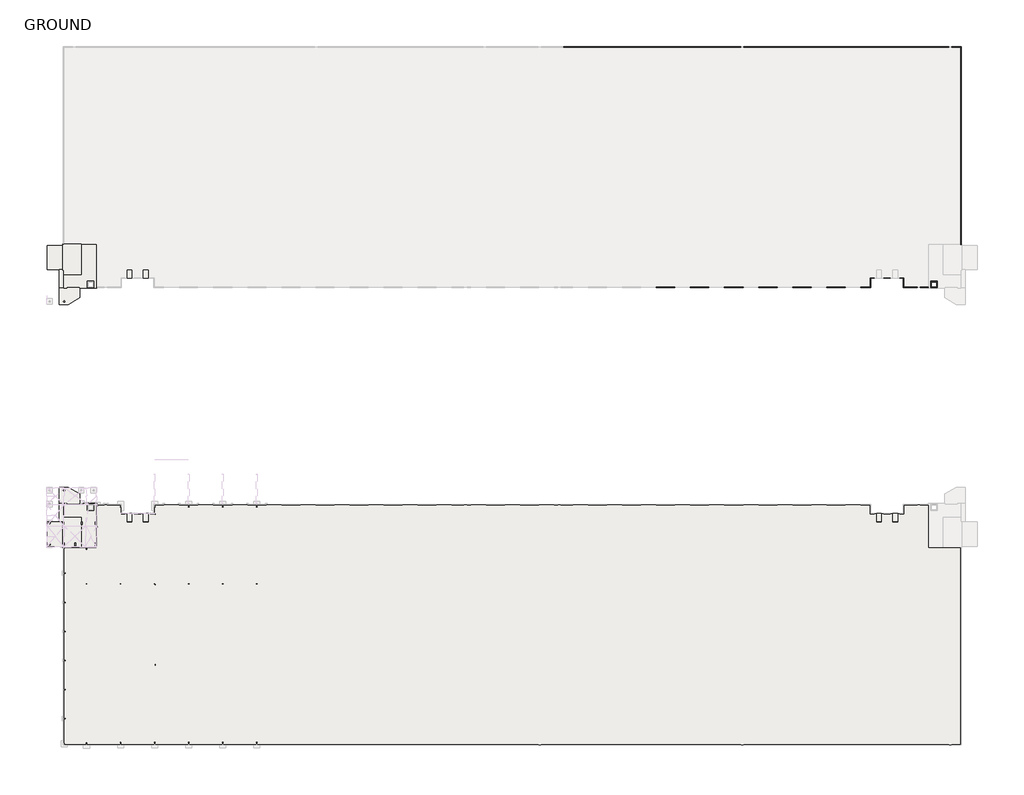
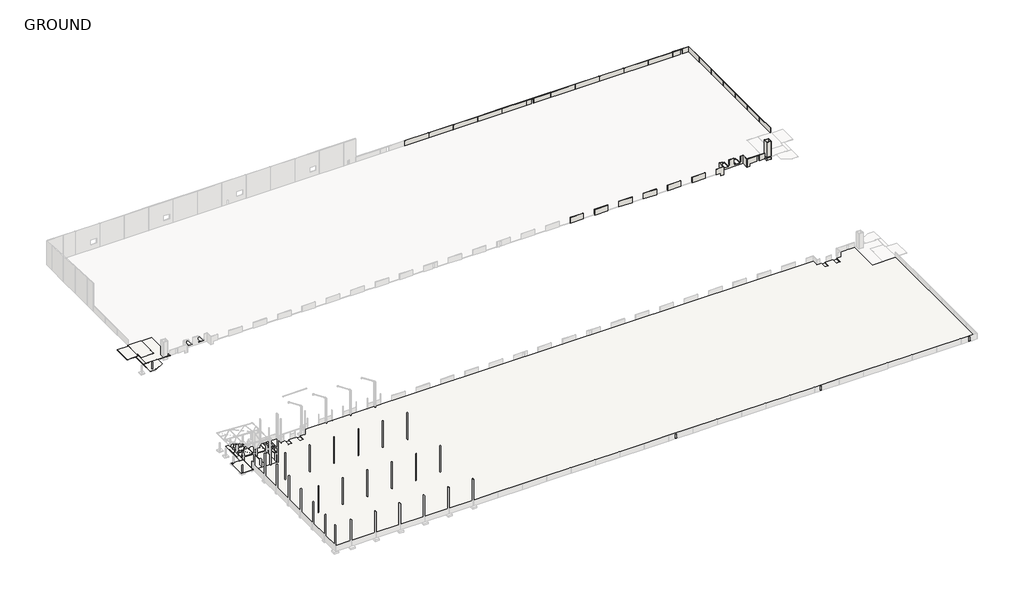
# One storey, part 3 of 56: 44 walls, 17 slabs.
"""IFC4 building model written with IfcOpenShell, lengths in millimetres."""

from ifc_helpers import new_model, si_unit, frame, origin, place, context, project, spatial, polyline, outline, extrude, faceted_brep, element, save

model = new_model("IFC4")

# Units and contexts
model_context = context("Model", 3, world=origin())
ifc_project = project(units=[si_unit("LENGTHUNIT", "METRE", prefix="MILLI")], contexts=[model_context])

# Site, building, storey
site = spatial("IfcSite", under=ifc_project)
building = spatial("IfcBuilding", under=site)
storey = spatial("IfcBuildingStorey", under=building, Name="GROUND", Elevation=47100.0)

# Slabs
placement = place(None, origin())
element("IfcSlab", 1, ObjectType="NRP_1 - SOG - 200", at=placement, inside=storey, context=model_context, shape_type="SweptSolid", body=[
    extrude(outline(polyline([(-303896.5907618, 169040.0), (-303896.5907618, 166020.0), (-306206.5907618, 166020.0), (-306206.5907618, 169040.0), (-303896.5907618, 169040.0)])), frame((0.0, 0.0, 46300.0), z_axis=(0.0, 0.0, 1.0), x_axis=(1.0, 0.0, 0.0)), (0.0, 0.0, 1.0), 200.0),
])
element("IfcSlab", 2, ObjectType="NRP_1 - SOG - 200", at=placement, inside=storey, context=model_context, shape_type="SweptSolid", body=[
    extrude(outline(polyline([(-298546.5907618, 169040.0), (-298546.5907618, 166020.0), (-300856.5907618, 166020.0), (-300856.5907618, 169040.0), (-298546.5907618, 169040.0)])), frame((0.0, 0.0, 46300.0), z_axis=(0.0, 0.0, 1.0), x_axis=(1.0, 0.0, 0.0)), (0.0, 0.0, 1.0), 200.0),
])
element("IfcSlab", 3, ObjectType="NRP_1 - SOG - 200", at=placement, inside=storey, context=model_context, shape_type="SweptSolid", body=[
    extrude(outline(polyline([(-326816.5907618, 11269.60101), (-326816.5907618, 76529.60101), (-315961.5907618, 76529.60101), (-315961.5907618, 90869.60101), (-307876.5907618, 90869.60101), (-307876.5907618, 87869.60101), (-306006.5907618, 87869.60101), (-306006.5907618, 85049.60101), (-304096.5907618, 85049.60101), (-304096.5907618, 87869.60101), (-300656.5907618, 87869.60101), (-300656.5907618, 85049.60101), (-298746.5907618, 85049.60101), (-298746.5907618, 87869.60101), (-296876.5907618, 87869.60101), (-296876.5907618, 90869.60101), (-59276.5907618, 90869.60101), (-59276.5907618, 87869.60101), (-57406.5907618, 87869.60101), (-57406.5907618, 85049.60101), (-55496.5907618, 85049.60101), (-55496.5907618, 87869.60101), (-52056.5907618, 87869.60101), (-52056.5907618, 85049.60101), (-50146.5907618, 85049.60101), (-50146.5907618, 87869.60101), (-48276.5907618, 87869.60101), (-48276.5907618, 90869.60101), (-40191.5907618, 90869.60101), (-40191.5907618, 76529.60101), (-29336.5907618, 76529.60101), (-29336.5907618, 11269.60101), (-326816.5907618, 11269.60101)])), frame((0.0, 0.0, 46900.0), z_axis=(0.0, 0.0, 1.0), x_axis=(1.0, 0.0, 0.0)), (0.0, 0.0, 1.0), 200.0),
])
element("IfcSlab", 4, ObjectType="NRP_1 - SOG - 200", at=placement, inside=storey, context=model_context, shape_type="SweptSolid", body=[
    extrude(outline(polyline([(-303896.5907618, 84849.60101), (-306206.5907618, 84849.60101), (-306206.5907618, 88019.60101), (-303896.5907618, 88019.60101), (-303896.5907618, 84849.60101)])), frame((0.0, 0.0, 46300.0), z_axis=(0.0, 0.0, 1.0), x_axis=(1.0, 0.0, 0.0)), (0.0, 0.0, 1.0), 200.0),
])
element("IfcSlab", 5, ObjectType="NRP_1 - SOG - 200", at=placement, inside=storey, context=model_context, shape_type="SweptSolid", body=[
    extrude(outline(polyline([(-298546.5907618, 84849.60101), (-300856.5907618, 84849.60101), (-300856.5907618, 88019.60101), (-298546.5907618, 88019.60101), (-298546.5907618, 84849.60101)])), frame((0.0, 0.0, 46300.0), z_axis=(0.0, 0.0, 1.0), x_axis=(1.0, 0.0, 0.0)), (0.0, 0.0, 1.0), 200.0),
])
element("IfcSlab", 6, ObjectType="NRP_1 - SOG - 200", at=placement, inside=storey, context=model_context, shape_type="SweptSolid", body=[
    extrude(outline(polyline([(-55296.5907618, 84849.60101), (-57606.5907618, 84849.60101), (-57606.5907618, 88019.60101), (-55296.5907618, 88019.60101), (-55296.5907618, 84849.60101)])), frame((0.0, 0.0, 46300.0), z_axis=(0.0, 0.0, 1.0), x_axis=(1.0, 0.0, 0.0)), (0.0, 0.0, 1.0), 200.0),
])
element("IfcSlab", 7, ObjectType="NRP_1 - SOG - 200", at=placement, inside=storey, context=model_context, shape_type="SweptSolid", body=[
    extrude(outline(polyline([(-49946.5907618, 84849.60101), (-52256.5907618, 84849.60101), (-52256.5907618, 88019.60101), (-49946.5907618, 88019.60101), (-49946.5907618, 84849.60101)])), frame((0.0, 0.0, 46300.0), z_axis=(0.0, 0.0, 1.0), x_axis=(1.0, 0.0, 0.0)), (0.0, 0.0, 1.0), 200.0),
])
element("IfcSlab", 8, ObjectType="NRP_2 - Raft - 100", at=placement, inside=storey, context=model_context, shape_type="Brep", body=[
    faceted_brep([(-327126.5907618, 177360.0, 47000.0), (-326826.5907618, 177360.0, 47000.0), (-321009.5907618, 177360.0, 47000.0), (-321009.5907618, 177060.0, 47000.0), (-321009.5907618, 169720.0, 47000.0), (-321066.5907618, 169720.0, 47000.0), (-321066.5907618, 168820.0, 47000.0), (-321009.5907618, 168820.0, 47000.0), (-321009.5907618, 167625.0, 47000.0), (-321009.5907618, 167325.0, 47000.0), (-326578.5907618, 167325.0, 47000.0), (-326878.5907618, 167325.0, 47000.0), (-326878.5907618, 168820.0, 47000.0), (-327126.5907618, 168820.0, 47000.0), (-327126.5907618, 169720.0, 47000.0), (-327126.5907618, 170010.0, 47000.0), (-327126.5907618, 177360.0, 47100.0), (-327126.5907618, 169720.0, 47100.0), (-327126.5907618, 168820.0, 47100.0), (-326878.5907618, 168820.0, 47100.0), (-326878.5907618, 167325.0, 47100.0), (-321009.5907618, 167325.0, 47100.0), (-321009.5907618, 168820.0, 47100.0), (-321066.5907618, 168820.0, 47100.0), (-321066.5907618, 169720.0, 47100.0), (-321009.5907618, 169720.0, 47100.0), (-321009.5907618, 177360.0, 47100.0), (-321009.5907618, 169720.0, 47050.0), (-321009.5907618, 168820.0, 47050.0)], [[[0, 1, 2, 3, 4, 5, 6, 7, 8, 9, 10, 11, 12, 13, 14, 15]], [[16, 17, 18, 19, 20, 21, 22, 23, 24, 25, 26]], [[2, 1, 0, 16, 26]], [[12, 11, 20, 19]], [[13, 12, 19, 18]], [[0, 15, 14, 13, 18, 17, 16]], [[4, 3, 2, 26, 25, 27]], [[11, 10, 9, 21, 20]], [[5, 4, 27, 25, 24]], [[6, 5, 24, 23]], [[7, 6, 23, 22, 28]], [[9, 8, 7, 28, 22, 21]]]),
])
element("IfcSlab", 9, ObjectType="NRP_2 - Raft - 100", at=placement, inside=storey, context=model_context, shape_type="Brep", body=[
    faceted_brep([(-321516.5907618, 159546.2489854, 46900.0), (-321816.5907618, 159378.1988707, 46900.0), (-325401.5907618, 157370.0, 46900.0), (-326015.4463257, 157370.0, 46900.0), (-328316.5907618, 157370.0, 46900.0), (-328316.5907618, 157670.0, 46900.0), (-328316.5907618, 162820.0, 46900.0), (-328016.5907618, 162820.0, 46900.0), (-325876.5907618, 162820.0, 46900.0), (-325876.5907618, 163120.0, 46900.0), (-321816.5907618, 163120.0, 46900.0), (-321516.5907618, 163120.0, 46900.0), (-321516.5907618, 159546.2489854, 47000.0), (-321516.5907618, 163120.0, 47000.0), (-325876.5907618, 163120.0, 47000.0), (-325876.5907618, 162820.0, 47000.0), (-328316.5907618, 162820.0, 47000.0), (-328316.5907618, 157370.0, 47000.0), (-325401.5907618, 157370.0, 47000.0), (-325876.5907618, 162820.0, 46950.0), (-325876.5907618, 163120.0, 46950.0), (-321516.5907618, 163120.0, 46950.0)], [[[0, 1, 2, 3, 4, 5, 6, 7, 8, 9, 10, 11]], [[12, 13, 14, 15, 16, 17, 18]], [[2, 1, 0, 12, 18]], [[4, 3, 2, 18, 17]], [[6, 5, 4, 17, 16]], [[8, 7, 6, 16, 15, 19]], [[9, 8, 19, 15, 14, 20]], [[11, 10, 9, 20, 14, 13, 21]], [[0, 11, 21, 13, 12]]]),
])
element("IfcSlab", 10, ObjectType="NRP_2 - Raft - 100", at=placement, inside=storey, context=model_context, shape_type="Brep", body=[
    faceted_brep([(-332355.5907618, 176939.0, 46900.0), (-332055.5907618, 176939.0, 46900.0), (-327126.5907618, 176939.0, 46900.0), (-327126.5907618, 176639.0, 46900.0), (-327126.5907618, 169220.0, 46900.0), (-327126.5907618, 168920.0, 46900.0), (-332355.5907618, 168920.0, 46900.0), (-332355.5907618, 169220.0, 46900.0), (-332355.5907618, 176939.0, 47000.0), (-332355.5907618, 168920.0, 47000.0), (-327126.5907618, 168920.0, 47000.0), (-327126.5907618, 169720.0, 47000.0), (-327126.5907618, 170010.0, 47000.0), (-327126.5907618, 176939.0, 47000.0)], [[[0, 1, 2, 3, 4, 5, 6, 7]], [[8, 9, 10, 11, 12, 13]], [[2, 1, 0, 8, 13]], [[5, 4, 3, 2, 13, 12, 11, 10]], [[6, 5, 10, 9]], [[0, 7, 6, 9, 8]]]),
])
element("IfcSlab", 11, ObjectType="NRP_2 - Raft - 100", at=placement, inside=storey, context=model_context, shape_type="Brep", body=[
    faceted_brep([(-326878.5907618, 168820.0, 46900.0), (-326878.5907618, 162820.0, 46900.0), (-327178.5907618, 162820.0, 46900.0), (-328316.5907618, 162820.0, 46900.0), (-328316.5907618, 163120.0, 46900.0), (-328316.5907618, 168920.0, 46900.0), (-328016.5907618, 168920.0, 46900.0), (-327126.5907618, 168920.0, 46900.0), (-327126.5907618, 168820.0, 46900.0), (-326878.5907618, 168820.0, 47000.0), (-327126.5907618, 168820.0, 47000.0), (-327126.5907618, 168920.0, 47000.0), (-328316.5907618, 168920.0, 47000.0), (-328316.5907618, 162820.0, 47000.0), (-326878.5907618, 162820.0, 47000.0), (-326878.5907618, 167325.0, 47000.0)], [[[0, 1, 2, 3, 4, 5, 6, 7, 8]], [[9, 10, 11, 12, 13, 14, 15]], [[3, 2, 1, 14, 13]], [[5, 4, 3, 13, 12]], [[0, 8, 10, 9]], [[1, 0, 9, 15, 14]], [[7, 6, 5, 12, 11]], [[8, 7, 11, 10]]]),
])
element("IfcSlab", 12, ObjectType="NRP_2 - Raft - 100", at=placement, inside=storey, context=model_context, shape_type="Brep", body=[
    faceted_brep([(-321009.5907618, 177360.0, 46950.0), (-315974.2907624, 177360.0, 46950.0), (-315961.5907618, 177360.0, 46950.0), (-315961.5907618, 177347.2999994, 46950.0), (-315961.5907618, 163120.0, 46950.0), (-315961.5907618, 162820.0, 46950.0), (-316856.5907618, 162820.0, 46950.0), (-319006.5907618, 162820.0, 46950.0), (-320316.5907618, 162820.0, 46950.0), (-320616.5907618, 162820.0, 46950.0), (-321516.5907618, 162820.0, 46950.0), (-321516.5907618, 163120.0, 46950.0), (-325876.5907618, 163120.0, 46950.0), (-325876.5907618, 162820.0, 46950.0), (-326776.5908029, 162820.0, 46950.0), (-326878.5907618, 162820.0, 46950.0), (-326878.5907618, 163270.0, 46950.0), (-326878.5907618, 167325.0, 46950.0), (-326578.5907618, 167325.0, 46950.0), (-321309.5907618, 167325.0, 46950.0), (-321009.5907618, 167325.0, 46950.0), (-321009.5907618, 167625.0, 46950.0), (-321009.5907618, 168820.0, 46950.0), (-321009.5907618, 169720.0, 46950.0), (-321009.5907618, 172779.5, 46950.0), (-321009.5907618, 173079.5, 46950.0), (-321009.5907618, 177060.0, 46950.0), (-317056.5907618, 164820.0, 46950.0), (-318806.5907618, 164820.0, 46950.0), (-318806.5907618, 163170.0, 46950.0), (-317056.5907618, 163170.0, 46950.0), (-321009.5907618, 177360.0, 47050.0), (-321009.5907618, 169720.0, 47050.0), (-321009.5907618, 168820.0, 47050.0), (-321009.5907618, 167325.0, 47050.0), (-326878.5907618, 167325.0, 47050.0), (-326878.5907618, 162820.0, 47050.0), (-326776.5908029, 162820.0, 47050.0), (-325876.5907618, 162820.0, 47050.0), (-325876.5907618, 163120.0, 47050.0), (-321516.5907618, 163120.0, 47050.0), (-321516.5907618, 162820.0, 47050.0), (-320616.5907618, 162820.0, 47050.0), (-315961.5907618, 162820.0, 47050.0), (-315961.5907618, 177360.0, 47050.0), (-317056.5907618, 164820.0, 47050.0), (-317056.5907618, 163170.0, 47050.0), (-318806.5907618, 163170.0, 47050.0), (-318806.5907618, 164820.0, 47050.0), (-321009.5907618, 177360.0, 47000.0), (-326878.5907618, 167325.0, 47000.0), (-321009.5907618, 167325.0, 47000.0)], [[[0, 1, 2, 3, 4, 5, 6, 7, 8, 9, 10, 11, 12, 13, 14, 15, 16, 17, 18, 19, 20, 21, 22, 23, 24, 25, 26], [27, 28, 29, 30]], [[31, 32, 33, 34, 35, 36, 37, 38, 39, 40, 41, 42, 43, 44], [45, 46, 47, 48]], [[2, 1, 0, 49, 31, 44]], [[5, 4, 3, 2, 44, 43]], [[10, 9, 8, 7, 6, 5, 43, 42, 41]], [[11, 10, 41, 40]], [[12, 11, 40, 39]], [[13, 12, 39, 38]], [[15, 14, 13, 38, 37, 36]], [[17, 16, 15, 36, 35, 50]], [[28, 27, 45, 48]], [[29, 28, 48, 47]], [[30, 29, 47, 46]], [[27, 30, 46, 45]], [[20, 19, 18, 17, 50, 35, 34, 51]], [[0, 26, 25, 24, 23, 22, 21, 20, 51, 34, 33, 32, 31, 49]]]),
])
element("IfcSlab", 13, ObjectType="NRP_2 - Raft - 100", at=placement, inside=storey, context=model_context, shape_type="Brep", body=[
    faceted_brep([(-327126.5907618, 76679.60101, 47000.0), (-327126.5907618, 84029.60101, 47000.0), (-327126.5907618, 84319.60101, 47000.0), (-327126.5907618, 85219.60101, 47000.0), (-326878.5907618, 85219.60101, 47000.0), (-326878.5907618, 86714.60101, 47000.0), (-326578.5907618, 86714.60101, 47000.0), (-321009.5907618, 86714.60101, 47000.0), (-321009.5907618, 86414.60101, 47000.0), (-321009.5907618, 85219.60101, 47000.0), (-321066.5907618, 85219.60101, 47000.0), (-321066.5907618, 84319.60101, 47000.0), (-321009.5907618, 84319.60101, 47000.0), (-321009.5907618, 76979.60101, 47000.0), (-321009.5907618, 76679.60101, 47000.0), (-326826.5907618, 76679.60101, 47000.0), (-327126.5907618, 76679.60101, 47100.0), (-321009.5907618, 76679.60101, 47100.0), (-321009.5907618, 84319.60101, 47100.0), (-321066.5907618, 84319.60101, 47100.0), (-321066.5907618, 85219.60101, 47100.0), (-321009.5907618, 85219.60101, 47100.0), (-321009.5907618, 86714.60101, 47100.0), (-326878.5907618, 86714.60101, 47100.0), (-326878.5907618, 85219.60101, 47100.0), (-327126.5907618, 85219.60101, 47100.0), (-327126.5907618, 84319.60101, 47100.0), (-321066.5907618, 84319.60101, 47050.0), (-321066.5907618, 85219.60101, 47050.0)], [[[0, 1, 2, 3, 4, 5, 6, 7, 8, 9, 10, 11, 12, 13, 14, 15]], [[16, 17, 18, 19, 20, 21, 22, 23, 24, 25, 26]], [[0, 15, 14, 17, 16]], [[5, 4, 24, 23]], [[4, 3, 25, 24]], [[3, 2, 1, 0, 16, 26, 25]], [[14, 13, 12, 18, 17]], [[7, 6, 5, 23, 22]], [[12, 11, 27, 19, 18]], [[11, 10, 28, 20, 19, 27]], [[10, 9, 21, 20, 28]], [[9, 8, 7, 22, 21]]]),
])
element("IfcSlab", 14, ObjectType="NRP_2 - Raft - 100", at=placement, inside=storey, context=model_context, shape_type="Brep", body=[
    faceted_brep([(-321516.5907618, 94493.3520246, 46900.0), (-321516.5907618, 90919.60101, 46900.0), (-321816.5907618, 90919.60101, 46900.0), (-325876.5907618, 90919.60101, 46900.0), (-325876.5907618, 91219.60101, 46900.0), (-328016.5907618, 91219.60101, 46900.0), (-328316.5907618, 91219.60101, 46900.0), (-328316.5907618, 96369.60101, 46900.0), (-328316.5907618, 96669.60101, 46900.0), (-326015.4463257, 96669.60101, 46900.0), (-325401.5907618, 96669.60101, 46900.0), (-321816.5907618, 94661.4021393, 46900.0), (-321516.5907618, 94493.3520246, 47000.0), (-325401.5907618, 96669.60101, 47000.0), (-328316.5907618, 96669.60101, 47000.0), (-328316.5907618, 91219.60101, 47000.0), (-325876.5907618, 91219.60101, 47000.0), (-325876.5907618, 90919.60101, 47000.0), (-321516.5907618, 90919.60101, 47000.0), (-325876.5907618, 91219.60101, 46950.0), (-325876.5907618, 90919.60101, 46950.0), (-321516.5907618, 90919.60101, 46950.0)], [[[0, 1, 2, 3, 4, 5, 6, 7, 8, 9, 10, 11]], [[12, 13, 14, 15, 16, 17, 18]], [[0, 11, 10, 13, 12]], [[10, 9, 8, 14, 13]], [[8, 7, 6, 15, 14]], [[6, 5, 4, 19, 16, 15]], [[4, 3, 20, 17, 16, 19]], [[3, 2, 1, 21, 18, 17, 20]], [[1, 0, 12, 18, 21]]]),
])
element("IfcSlab", 15, ObjectType="NRP_2 - Raft - 100", at=placement, inside=storey, context=model_context, shape_type="Brep", body=[
    faceted_brep([(-332355.5907618, 77100.60101, 46900.0), (-332355.5907618, 84819.60101, 46900.0), (-332355.5907618, 85119.60101, 46900.0), (-327126.5907618, 85119.60101, 46900.0), (-327126.5907618, 84819.60101, 46900.0), (-327126.5907618, 77400.60101, 46900.0), (-327126.5907618, 77100.60101, 46900.0), (-332055.5907618, 77100.60101, 46900.0), (-332355.5907618, 77100.60101, 47000.0), (-327126.5907618, 77100.60101, 47000.0), (-327126.5907618, 84029.60101, 47000.0), (-327126.5907618, 84319.60101, 47000.0), (-327126.5907618, 85119.60101, 47000.0), (-332355.5907618, 85119.60101, 47000.0)], [[[0, 1, 2, 3, 4, 5, 6, 7]], [[8, 9, 10, 11, 12, 13]], [[0, 7, 6, 9, 8]], [[6, 5, 4, 3, 12, 11, 10, 9]], [[3, 2, 13, 12]], [[2, 1, 0, 8, 13]]]),
])
element("IfcSlab", 16, ObjectType="NRP_2 - Raft - 100", at=placement, inside=storey, context=model_context, shape_type="Brep", body=[
    faceted_brep([(-326878.5907618, 85219.60101, 46900.0), (-327126.5907618, 85219.60101, 46900.0), (-327126.5907618, 85119.60101, 46900.0), (-328016.5907618, 85119.60101, 46900.0), (-328316.5907618, 85119.60101, 46900.0), (-328316.5907618, 90919.60101, 46900.0), (-328316.5907618, 91219.60101, 46900.0), (-328016.5907618, 91219.60101, 46900.0), (-327178.5907618, 91219.60101, 46900.0), (-326878.5907618, 91219.60101, 46900.0), (-326878.5907618, 85219.60101, 47000.0), (-326878.5907618, 86714.60101, 47000.0), (-326878.5907618, 91219.60101, 47000.0), (-328316.5907618, 91219.60101, 47000.0), (-328316.5907618, 85119.60101, 47000.0), (-327126.5907618, 85119.60101, 47000.0), (-327126.5907618, 85219.60101, 47000.0)], [[[0, 1, 2, 3, 4, 5, 6, 7, 8, 9]], [[10, 11, 12, 13, 14, 15, 16]], [[9, 8, 7, 6, 13, 12]], [[6, 5, 4, 14, 13]], [[1, 0, 10, 16]], [[0, 9, 12, 11, 10]], [[4, 3, 2, 15, 14]], [[2, 1, 16, 15]]]),
])
element("IfcSlab", 17, ObjectType="NRP_2 - Raft - 100", at=placement, inside=storey, context=model_context, shape_type="Brep", body=[
    faceted_brep([(-321009.5907618, 76679.60101, 46950.0), (-321009.5907618, 76979.60101, 46950.0), (-321009.5907618, 80960.10101, 46950.0), (-321009.5907618, 81260.10101, 46950.0), (-321009.5907618, 84319.60101, 46950.0), (-321066.5907618, 84319.60101, 46950.0), (-321066.5907618, 85219.60101, 46950.0), (-321009.5907618, 85219.60101, 46950.0), (-321009.5907618, 86414.60101, 46950.0), (-321009.5907618, 86714.60101, 46950.0), (-321309.5907618, 86714.60101, 46950.0), (-326578.5907618, 86714.60101, 46950.0), (-326878.5907618, 86714.60101, 46950.0), (-326878.5907618, 90769.60101, 46950.0), (-326878.5907618, 91219.60101, 46950.0), (-326776.5908029, 91219.60101, 46950.0), (-325876.5907618, 91219.60101, 46950.0), (-325876.5907618, 90919.60101, 46950.0), (-321516.5907618, 90919.60101, 46950.0), (-321516.5907618, 91219.60101, 46950.0), (-320616.5907618, 91219.60101, 46950.0), (-320316.5907618, 91219.60101, 46950.0), (-319006.5907618, 91219.60101, 46950.0), (-316856.5907618, 91219.60101, 46950.0), (-315961.5907618, 91219.60101, 46950.0), (-315961.5907618, 90919.60101, 46950.0), (-315961.5907618, 76692.3010106, 46950.0), (-315961.5907618, 76679.60101, 46950.0), (-315974.2907624, 76679.60101, 46950.0), (-317056.5907618, 89219.60101, 46950.0), (-317056.5907618, 90869.60101, 46950.0), (-318806.5907618, 90869.60101, 46950.0), (-318806.5907618, 89219.60101, 46950.0), (-321009.5907618, 76679.60101, 47050.0), (-315961.5907618, 76679.60101, 47050.0), (-315961.5907618, 91219.60101, 47050.0), (-320616.5907618, 91219.60101, 47050.0), (-321516.5907618, 91219.60101, 47050.0), (-321516.5907618, 90919.60101, 47050.0), (-325876.5907618, 90919.60101, 47050.0), (-325876.5907618, 91219.60101, 47050.0), (-326776.5908029, 91219.60101, 47050.0), (-326878.5907618, 91219.60101, 47050.0), (-326878.5907618, 86714.60101, 47050.0), (-321009.5907618, 86714.60101, 47050.0), (-321009.5907618, 85219.60101, 47050.0), (-321066.5907618, 85219.60101, 47050.0), (-321066.5907618, 84319.60101, 47050.0), (-321009.5907618, 84319.60101, 47050.0), (-317056.5907618, 89219.60101, 47050.0), (-318806.5907618, 89219.60101, 47050.0), (-318806.5907618, 90869.60101, 47050.0), (-317056.5907618, 90869.60101, 47050.0), (-321009.5907618, 76679.60101, 47000.0), (-326878.5907618, 86714.60101, 47000.0), (-321009.5907618, 86714.60101, 47000.0), (-321009.5907618, 85219.60101, 47000.0), (-321009.5907618, 84319.60101, 47000.0), (-321066.5907618, 84319.60101, 47000.0), (-321066.5907618, 85219.60101, 47000.0)], [[[0, 1, 2, 3, 4, 5, 6, 7, 8, 9, 10, 11, 12, 13, 14, 15, 16, 17, 18, 19, 20, 21, 22, 23, 24, 25, 26, 27, 28], [29, 30, 31, 32]], [[33, 34, 35, 36, 37, 38, 39, 40, 41, 42, 43, 44, 45, 46, 47, 48], [49, 50, 51, 52]], [[0, 28, 27, 34, 33, 53]], [[27, 26, 25, 24, 35, 34]], [[24, 23, 22, 21, 20, 19, 37, 36, 35]], [[19, 18, 38, 37]], [[18, 17, 39, 38]], [[17, 16, 40, 39]], [[16, 15, 14, 42, 41, 40]], [[14, 13, 12, 54, 43, 42]], [[29, 32, 50, 49]], [[32, 31, 51, 50]], [[31, 30, 52, 51]], [[30, 29, 49, 52]], [[12, 11, 10, 9, 55, 44, 43, 54]], [[9, 8, 7, 56, 45, 44, 55]], [[4, 3, 2, 1, 0, 53, 33, 48, 57]], [[5, 4, 57, 48, 47, 58]], [[6, 5, 58, 47, 46, 59]], [[7, 6, 59, 46, 45, 56]]]),
])

# Walls
element("IfcWall", 18, at=placement, inside=storey, context=model_context, shape_type="Brep", body=[
    faceted_brep([(-49996.5907618, 166020.0, 46500.0), (-49996.5907618, 168990.0, 46500.0), (-49996.5907618, 168990.0, 46900.0), (-49996.5907618, 166170.0, 46900.0), (-49996.5907618, 166020.0, 46900.0), (-50146.5907618, 166020.0, 46500.0), (-50146.5907618, 166020.0, 46900.0), (-50146.5907618, 166170.0, 46900.0), (-50146.5907618, 168840.0, 46900.0), (-50146.5907618, 168990.0, 46900.0), (-50146.5907618, 168990.0, 46500.0), (-50146.5907618, 168840.0, 46500.0)], [[[0, 1, 2, 3, 4]], [[5, 6, 7, 8, 9, 10, 11]], [[0, 4, 6, 5]], [[2, 1, 10, 9]], [[4, 3, 7, 6]], [[3, 2, 9, 8, 7]], [[1, 0, 5, 11, 10]]]),
])
element("IfcWall", 19, at=placement, inside=storey, context=model_context, shape_type="Brep", body=[
    faceted_brep([(-50146.5907618, 168990.0, 46500.0), (-52206.5907618, 168990.0, 46500.0), (-52206.5907618, 168990.0, 46900.0), (-50146.5907618, 168990.0, 46900.0), (-50146.5907618, 168840.0, 46500.0), (-50146.5907618, 168840.0, 46900.0), (-52056.5907618, 168840.0, 46900.0), (-52206.5907618, 168840.0, 46900.0), (-52206.5907618, 168840.0, 46500.0), (-52056.5907618, 168840.0, 46500.0)], [[[0, 1, 2, 3]], [[4, 5, 6, 7, 8, 9]], [[0, 3, 5, 4]], [[2, 1, 8, 7]], [[3, 2, 7, 6, 5]], [[1, 0, 4, 9, 8]]]),
])
element("IfcWall", 20, at=placement, inside=storey, context=model_context, shape_type="SweptSolid", body=[
    extrude(outline(polyline([(168840.0, 46500.0), (166020.0, 46500.0), (166020.0, 46900.0), (166170.0, 46900.0), (168840.0, 46900.0), (168840.0, 46500.0)])), frame((-52206.5907618, 0.0, 0.0), z_axis=(1.0, 0.0, 0.0), x_axis=(0.0, 1.0, 0.0)), (0.0, 0.0, 1.0), 150.0),
])
element("IfcWall", 21, at=placement, inside=storey, context=model_context, shape_type="Brep", body=[
    faceted_brep([(-55346.5907618, 166020.0, 46500.0), (-55346.5907618, 168990.0, 46500.0), (-55346.5907618, 168990.0, 46900.0), (-55346.5907618, 166170.0, 46900.0), (-55346.5907618, 166020.0, 46900.0), (-55496.5907618, 166020.0, 46500.0), (-55496.5907618, 166020.0, 46900.0), (-55496.5907618, 166170.0, 46900.0), (-55496.5907618, 168840.0, 46900.0), (-55496.5907618, 168990.0, 46900.0), (-55496.5907618, 168990.0, 46500.0), (-55496.5907618, 168840.0, 46500.0)], [[[0, 1, 2, 3, 4]], [[5, 6, 7, 8, 9, 10, 11]], [[0, 4, 6, 5]], [[2, 1, 10, 9]], [[4, 3, 7, 6]], [[3, 2, 9, 8, 7]], [[1, 0, 5, 11, 10]]]),
])
element("IfcWall", 22, at=placement, inside=storey, context=model_context, shape_type="Brep", body=[
    faceted_brep([(-55496.5907618, 168990.0, 46500.0), (-57556.5907618, 168990.0, 46500.0), (-57556.5907618, 168990.0, 46900.0), (-55496.5907618, 168990.0, 46900.0), (-55496.5907618, 168840.0, 46500.0), (-55496.5907618, 168840.0, 46900.0), (-57406.5907618, 168840.0, 46900.0), (-57556.5907618, 168840.0, 46900.0), (-57556.5907618, 168840.0, 46500.0), (-57406.5907618, 168840.0, 46500.0)], [[[0, 1, 2, 3]], [[4, 5, 6, 7, 8, 9]], [[0, 3, 5, 4]], [[2, 1, 8, 7]], [[3, 2, 7, 6, 5]], [[1, 0, 4, 9, 8]]]),
])
element("IfcWall", 23, at=placement, inside=storey, context=model_context, shape_type="SweptSolid", body=[
    extrude(outline(polyline([(168840.0, 46500.0), (166020.0, 46500.0), (166020.0, 46900.0), (166170.0, 46900.0), (168840.0, 46900.0), (168840.0, 46500.0)])), frame((-57556.5907618, 0.0, 0.0), z_axis=(1.0, 0.0, 0.0), x_axis=(0.0, 1.0, 0.0)), (0.0, 0.0, 1.0), 150.0),
])
element("IfcWall", 24, at=placement, inside=storey, context=model_context, shape_type="Brep", body=[
    faceted_brep([(-39095.9863178, 162970.0, 45600.0), (-39095.9863178, 163170.0, 45600.0), (-39095.9863178, 164820.0, 45600.0), (-39095.9863178, 165020.0, 45600.0), (-39095.9863178, 165020.0, 47100.0), (-39095.9863178, 164820.0, 47100.0), (-39095.9863178, 163170.0, 47100.0), (-39095.9863178, 162970.0, 47100.0), (-39295.9863178, 162970.0, 45600.0), (-39295.9863178, 162970.0, 47100.0), (-39295.9863178, 165020.0, 47100.0), (-39295.9863178, 165020.0, 45600.0)], [[[0, 1, 2, 3, 4, 5, 6, 7]], [[8, 9, 10, 11]], [[7, 6, 5, 4, 10, 9]], [[4, 3, 11, 10]], [[0, 7, 9, 8]], [[3, 2, 1, 0, 8, 11]]]),
])
element("IfcWall", 25, at=placement, inside=storey, context=model_context, shape_type="Brep", body=[
    faceted_brep([(-39095.9863178, 164820.0, 45600.0), (-37345.9863178, 164820.0, 45600.0), (-37145.9863178, 164820.0, 45600.0), (-37145.9863178, 164820.0, 47100.0), (-37345.9863178, 164820.0, 47100.0), (-39095.9863178, 164820.0, 47100.0), (-39095.9863178, 165020.0, 45600.0), (-39095.9863178, 165020.0, 47100.0), (-37145.9863178, 165020.0, 47100.0), (-37145.9863178, 165020.0, 45600.0)], [[[0, 1, 2, 3, 4, 5]], [[6, 7, 8, 9]], [[5, 4, 3, 8, 7]], [[0, 5, 7, 6]], [[3, 2, 9, 8]], [[2, 1, 0, 6, 9]]]),
])
element("IfcWall", 26, at=placement, inside=storey, context=model_context, shape_type="Brep", body=[
    faceted_brep([(-37345.9863178, 164820.0, 45600.0), (-37345.9863178, 163170.0, 45600.0), (-37345.9863178, 162970.0, 45600.0), (-37345.9863178, 162970.0, 47100.0), (-37345.9863178, 163170.0, 47100.0), (-37345.9863178, 164820.0, 47100.0), (-37145.9863178, 164820.0, 45600.0), (-37145.9863178, 164820.0, 47100.0), (-37145.9863178, 162970.0, 47100.0), (-37145.9863178, 162970.0, 45600.0)], [[[0, 1, 2, 3, 4, 5]], [[6, 7, 8, 9]], [[5, 4, 3, 8, 7]], [[0, 5, 7, 6]], [[3, 2, 9, 8]], [[2, 1, 0, 6, 9]]]),
])
element("IfcWall", 27, at=placement, inside=storey, context=model_context, shape_type="SweptSolid", body=[
    extrude(outline(polyline([(-39095.9863178, 163170.0), (-37345.9863178, 163170.0), (-37345.9863178, 162970.0), (-39095.9863178, 162970.0), (-39095.9863178, 163170.0)])), frame((0.0, 0.0, 45600.0), z_axis=(0.0, 0.0, 1.0), x_axis=(1.0, 0.0, 0.0)), (0.0, 0.0, 1.0), 1500.0),
])
element("IfcWall", 28, at=placement, inside=storey, context=model_context, shape_type="Brep", body=[
    faceted_brep([(-39095.9863178, 162970.0, 47100.0), (-39095.9863178, 163170.0, 47100.0), (-39095.9863178, 164820.0, 47100.0), (-39095.9863178, 165020.0, 47100.0), (-39095.9863178, 165020.0, 54410.0), (-39095.9863178, 164820.0, 54410.0), (-39095.9863178, 163170.0, 54410.0), (-39095.9863178, 162970.0, 54410.0), (-39295.9863178, 162970.0, 47100.0), (-39295.9863178, 162970.0, 54410.0), (-39295.9863178, 165020.0, 54410.0), (-39295.9863178, 165020.0, 47100.0)], [[[0, 1, 2, 3, 4, 5, 6, 7]], [[8, 9, 10, 11]], [[3, 2, 1, 0, 8, 11]], [[4, 3, 11, 10]], [[0, 7, 9, 8]], [[7, 6, 5, 4, 10, 9]]]),
])
element("IfcWall", 29, at=placement, inside=storey, context=model_context, shape_type="Brep", body=[
    faceted_brep([(-39095.9863178, 164820.0, 47100.0), (-37345.9863178, 164820.0, 47100.0), (-37145.9863178, 164820.0, 47100.0), (-37145.9863178, 164820.0, 54410.0), (-37345.9863178, 164820.0, 54410.0), (-39095.9863178, 164820.0, 54410.0), (-39095.9863178, 165020.0, 47100.0), (-39095.9863178, 165020.0, 54410.0), (-37145.9863178, 165020.0, 54410.0), (-37145.9863178, 165020.0, 47100.0)], [[[0, 1, 2, 3, 4, 5]], [[6, 7, 8, 9]], [[2, 1, 0, 6, 9]], [[3, 2, 9, 8]], [[0, 5, 7, 6]], [[5, 4, 3, 8, 7]]]),
])
element("IfcWall", 30, at=placement, inside=storey, context=model_context, shape_type="Brep", body=[
    faceted_brep([(-37345.9863178, 164820.0, 47100.0), (-37345.9863178, 163170.0, 47100.0), (-37345.9863178, 162970.0, 47100.0), (-37345.9863178, 162970.0, 54410.0), (-37345.9863178, 163170.0, 54410.0), (-37345.9863178, 164820.0, 54410.0), (-37145.9863178, 164820.0, 47100.0), (-37145.9863178, 164820.0, 54410.0), (-37145.9863178, 162970.0, 54410.0), (-37145.9863178, 162970.0, 50600.0), (-37145.9863178, 162970.0, 50400.0), (-37145.9863178, 162970.0, 47100.0)], [[[0, 1, 2, 3, 4, 5]], [[6, 7, 8, 9, 10, 11]], [[2, 1, 0, 6, 11]], [[3, 2, 11, 10, 9, 8]], [[0, 5, 7, 6]], [[5, 4, 3, 8, 7]]]),
])
element("IfcWall", 31, at=placement, inside=storey, context=model_context, shape_type="SweptSolid", body=[
    extrude(outline(polyline([(-39095.9863178, 163170.0), (-37345.9863178, 163170.0), (-37345.9863178, 162970.0), (-39095.9863178, 162970.0), (-39095.9863178, 163170.0)])), frame((0.0, 0.0, 47100.0), z_axis=(0.0, 0.0, 1.0), x_axis=(1.0, 0.0, 0.0)), (0.0, 0.0, 1.0), 7310.0),
])
element("IfcWall", 32, ObjectType="PW1 - Precast 150", at=placement, inside=storey, context=model_context, shape_type="Brep", body=[
    faceted_brep([(-29186.5907618, 177285.0, 46800.0), (-29186.5907618, 177360.0, 46800.0), (-29186.5907618, 185920.0, 46800.0), (-29186.5907618, 185920.0, 49500.0), (-29186.5907618, 177285.0, 49500.0), (-29186.5907618, 177285.0, 47000.0), (-29336.5907618, 177285.0, 46800.0), (-29336.5907618, 177285.0, 47000.0), (-29336.5907618, 177285.0, 49500.0), (-29336.5907618, 185920.0, 49500.0), (-29336.5907618, 185920.0, 46800.0), (-29336.5907618, 177360.0, 46800.0), (-29325.9863178, 177285.0, 46800.0)], [[[0, 1, 2, 3, 4, 5]], [[6, 7, 8, 9, 10, 11]], [[2, 1, 0, 12, 6, 11, 10]], [[3, 2, 10, 9]], [[4, 3, 9, 8]], [[0, 5, 4, 8, 7, 6, 12]]]),
])
element("IfcWall", 33, ObjectType="PW1 - Precast 150", at=placement, inside=storey, context=model_context, shape_type="Brep", body=[
    faceted_brep([(-59126.5907618, 163170.0, 45550.0), (-59126.5907618, 166020.0, 45550.0), (-59126.5907618, 166170.0, 45550.0), (-59126.5907618, 166170.0, 49500.0), (-59126.5907618, 166020.0, 49500.0), (-59126.5907618, 163170.0, 49500.0), (-59276.5907618, 163170.0, 45550.0), (-59276.5907618, 163170.0, 49500.0), (-59276.5907618, 166170.0, 49500.0), (-59276.5907618, 166170.0, 45550.0)], [[[0, 1, 2, 3, 4, 5]], [[6, 7, 8, 9]], [[2, 1, 0, 6, 9]], [[5, 4, 3, 8, 7]], [[3, 2, 9, 8]], [[0, 5, 7, 6]]]),
])
element("IfcWall", 34, ObjectType="PW1 - Precast 150", at=placement, inside=storey, context=model_context, shape_type="Brep", body=[
    faceted_brep([(-48426.5907618, 166020.0, 45550.0), (-48426.5907618, 163020.0, 45550.0), (-48426.5907618, 163020.0, 49500.0), (-48426.5907618, 166020.0, 49500.0), (-48276.5907618, 166020.0, 45550.0), (-48276.5907618, 166020.0, 49500.0), (-48276.5907618, 163170.0, 49500.0), (-48276.5907618, 163020.0, 49500.0), (-48276.5907618, 163020.0, 45550.0), (-48276.5907618, 163170.0, 45550.0)], [[[0, 1, 2, 3]], [[4, 5, 6, 7, 8, 9]], [[1, 0, 4, 9, 8]], [[3, 2, 7, 6, 5]], [[2, 1, 8, 7]], [[0, 3, 5, 4]]]),
])
element("IfcWall", 35, ObjectType="PW1 - Precast 150", at=placement, inside=storey, context=model_context, shape_type="SweptSolid", body=[
    extrude(outline(polyline([(-161106.2885398, 242920.0), (-149826.2885398, 242920.0), (-149826.2885398, 242770.0), (-161106.2885398, 242770.0), (-161106.2885398, 242920.0)])), frame((0.0, 0.0, 46800.0), z_axis=(0.0, 0.0, 1.0), x_axis=(1.0, 0.0, 0.0)), (0.0, 0.0, 1.0), 2700.0),
])
element("IfcWall", 36, ObjectType="PW1 - Precast 150", at=placement, inside=storey, context=model_context, shape_type="SweptSolid", body=[
    extrude(outline(polyline([(-149806.2885398, 242920.0), (-138531.2885398, 242920.0), (-138531.2885398, 242770.0), (-149806.2885398, 242770.0), (-149806.2885398, 242920.0)])), frame((0.0, 0.0, 46800.0), z_axis=(0.0, 0.0, 1.0), x_axis=(1.0, 0.0, 0.0)), (0.0, 0.0, 1.0), 2700.0),
])
element("IfcWall", 37, ObjectType="PW1 - Precast 150", at=placement, inside=storey, context=model_context, shape_type="SweptSolid", body=[
    extrude(outline(polyline([(-138511.2885398, 242920.0), (-127226.2885398, 242920.0), (-127226.2885398, 242770.0), (-138511.2885398, 242770.0), (-138511.2885398, 242920.0)])), frame((0.0, 0.0, 46800.0), z_axis=(0.0, 0.0, 1.0), x_axis=(1.0, 0.0, 0.0)), (0.0, 0.0, 1.0), 2700.0),
])
element("IfcWall", 38, ObjectType="PW1 - Precast 150", at=placement, inside=storey, context=model_context, shape_type="SweptSolid", body=[
    extrude(outline(polyline([(-127206.2885398, 242920.0), (-115926.2885398, 242920.0), (-115926.2885398, 242770.0), (-127206.2885398, 242770.0), (-127206.2885398, 242920.0)])), frame((0.0, 0.0, 46800.0), z_axis=(0.0, 0.0, 1.0), x_axis=(1.0, 0.0, 0.0)), (0.0, 0.0, 1.0), 2700.0),
])
element("IfcWall", 39, ObjectType="PW1 - Precast 150", at=placement, inside=storey, context=model_context, shape_type="SweptSolid", body=[
    extrude(outline(polyline([(-115906.2885398, 242920.0), (-104626.2885398, 242920.0), (-104626.2885398, 242770.0), (-115906.2885398, 242770.0), (-115906.2885398, 242920.0)])), frame((0.0, 0.0, 46800.0), z_axis=(0.0, 0.0, 1.0), x_axis=(1.0, 0.0, 0.0)), (0.0, 0.0, 1.0), 2700.0),
])
element("IfcWall", 40, ObjectType="PW1 - Precast 150", at=placement, inside=storey, context=model_context, shape_type="SweptSolid", body=[
    extrude(outline(polyline([(-93306.2885398, 242920.0), (-82026.2885398, 242920.0), (-82026.2885398, 242770.0), (-93306.2885398, 242770.0), (-93306.2885398, 242920.0)])), frame((0.0, 0.0, 46800.0), z_axis=(0.0, 0.0, 1.0), x_axis=(1.0, 0.0, 0.0)), (0.0, 0.0, 1.0), 2700.0),
])
element("IfcWall", 41, ObjectType="PW1 - Precast 150", at=placement, inside=storey, context=model_context, shape_type="SweptSolid", body=[
    extrude(outline(polyline([(-82006.2885398, 242920.0), (-70731.2885398, 242920.0), (-70731.2885398, 242770.0), (-82006.2885398, 242770.0), (-82006.2885398, 242920.0)])), frame((0.0, 0.0, 46800.0), z_axis=(0.0, 0.0, 1.0), x_axis=(1.0, 0.0, 0.0)), (0.0, 0.0, 1.0), 2700.0),
])
element("IfcWall", 42, ObjectType="PW1 - Precast 150", at=placement, inside=storey, context=model_context, shape_type="SweptSolid", body=[
    extrude(outline(polyline([(-70711.2885398, 242920.0), (-59426.2885398, 242920.0), (-59426.2885398, 242770.0), (-70711.2885398, 242770.0), (-70711.2885398, 242920.0)])), frame((0.0, 0.0, 46800.0), z_axis=(0.0, 0.0, 1.0), x_axis=(1.0, 0.0, 0.0)), (0.0, 0.0, 1.0), 2700.0),
])
element("IfcWall", 43, ObjectType="PW1 - Precast 150", at=placement, inside=storey, context=model_context, shape_type="SweptSolid", body=[
    extrude(outline(polyline([(-59406.2885398, 242920.0), (-48126.2885398, 242920.0), (-48126.2885398, 242770.0), (-59406.2885398, 242770.0), (-59406.2885398, 242920.0)])), frame((0.0, 0.0, 46800.0), z_axis=(0.0, 0.0, 1.0), x_axis=(1.0, 0.0, 0.0)), (0.0, 0.0, 1.0), 2700.0),
])
element("IfcWall", 44, ObjectType="PW1 - Precast 150", at=placement, inside=storey, context=model_context, shape_type="SweptSolid", body=[
    extrude(outline(polyline([(-48106.2885398, 242920.0), (-36826.2885398, 242920.0), (-36826.2885398, 242770.0), (-48106.2885398, 242770.0), (-48106.2885398, 242920.0)])), frame((0.0, 0.0, 46800.0), z_axis=(0.0, 0.0, 1.0), x_axis=(1.0, 0.0, 0.0)), (0.0, 0.0, 1.0), 2700.0),
])
element("IfcWall", 45, ObjectType="PW1 - Precast 150", at=placement, inside=storey, context=model_context, shape_type="Brep", body=[
    faceted_brep([(-29186.5907618, 234210.0, 46800.0), (-29186.5907618, 242920.0, 46800.0), (-29186.5907618, 242920.0, 49500.0), (-29186.5907618, 234210.0, 49500.0), (-29336.5907618, 234210.0, 46800.0), (-29336.5907618, 234210.0, 49500.0), (-29336.5907618, 242770.0, 49500.0), (-29336.5907618, 242920.0, 49500.0), (-29336.5907618, 242920.0, 46800.0), (-29336.5907618, 242770.0, 46800.0)], [[[0, 1, 2, 3]], [[4, 5, 6, 7, 8, 9]], [[1, 0, 4, 9, 8]], [[3, 2, 7, 6, 5]], [[0, 3, 5, 4]], [[2, 1, 8, 7]]]),
])
element("IfcWall", 46, ObjectType="PW1 - Precast 150", at=placement, inside=storey, context=model_context, shape_type="SweptSolid", body=[
    extrude(outline(polyline([(-29186.5907618, 234190.0), (-29186.5907618, 224560.0), (-29336.5907618, 224560.0), (-29336.5907618, 234190.0), (-29186.5907618, 234190.0)])), frame((0.0, 0.0, 46800.0), z_axis=(0.0, 0.0, 1.0), x_axis=(1.0, 0.0, 0.0)), (0.0, 0.0, 1.0), 2700.0),
])
element("IfcWall", 47, ObjectType="PW1 - Precast 150", at=placement, inside=storey, context=model_context, shape_type="SweptSolid", body=[
    extrude(outline(polyline([(-29186.5907618, 224540.0), (-29186.5907618, 214910.0), (-29336.5907618, 214910.0), (-29336.5907618, 224540.0), (-29186.5907618, 224540.0)])), frame((0.0, 0.0, 46800.0), z_axis=(0.0, 0.0, 1.0), x_axis=(1.0, 0.0, 0.0)), (0.0, 0.0, 1.0), 2700.0),
])
element("IfcWall", 48, ObjectType="PW1 - Precast 150", at=placement, inside=storey, context=model_context, shape_type="SweptSolid", body=[
    extrude(outline(polyline([(-29186.5907618, 214890.0), (-29186.5907618, 205260.0), (-29336.5907618, 205260.0), (-29336.5907618, 214890.0), (-29186.5907618, 214890.0)])), frame((0.0, 0.0, 46800.0), z_axis=(0.0, 0.0, 1.0), x_axis=(1.0, 0.0, 0.0)), (0.0, 0.0, 1.0), 2700.0),
])
element("IfcWall", 49, ObjectType="PW1 - Precast 150", at=placement, inside=storey, context=model_context, shape_type="SweptSolid", body=[
    extrude(outline(polyline([(-29186.5907618, 205240.0), (-29186.5907618, 195590.0), (-29336.5907618, 195590.0), (-29336.5907618, 205240.0), (-29186.5907618, 205240.0)])), frame((0.0, 0.0, 46800.0), z_axis=(0.0, 0.0, 1.0), x_axis=(1.0, 0.0, 0.0)), (0.0, 0.0, 1.0), 2700.0),
])
element("IfcWall", 50, ObjectType="PW1 - Precast 150", at=placement, inside=storey, context=model_context, shape_type="SweptSolid", body=[
    extrude(outline(polyline([(-29186.5907618, 195570.0), (-29186.5907618, 185940.0), (-29336.5907618, 185940.0), (-29336.5907618, 195570.0), (-29186.5907618, 195570.0)])), frame((0.0, 0.0, 46800.0), z_axis=(0.0, 0.0, 1.0), x_axis=(1.0, 0.0, 0.0)), (0.0, 0.0, 1.0), 2700.0),
])
element("IfcWall", 51, ObjectType="PW2 - Precast 150", at=placement, inside=storey, context=model_context, shape_type="SweptSolid", body=[
    extrude(outline(polyline([(46800.0, -29336.5907618), (49500.0, -29336.5907618), (49500.0, -36806.2885398), (46800.0, -36806.2885398), (46800.0, -33346.5907618), (49210.0, -33346.5907618), (49210.0, -32326.5907618), (46800.0, -32326.5907618), (46800.0, -29336.5907618)])), frame((0.0, 242770.0, 0.0), z_axis=(0.0, 1.0, 0.0), x_axis=(0.0, 0.0, 1.0)), (0.0, 0.0, 1.0), 150.0),
])
element("IfcWall", 52, ObjectType="PW2 - Precast 150", at=placement, inside=storey, context=model_context, shape_type="SweptSolid", body=[
    extrude(outline(polyline([(49210.0, -101266.5907618), (46800.0, -101266.5907618), (46800.0, -93326.2885398), (49500.0, -93326.2885398), (49500.0, -104606.2885398), (46800.0, -104606.2885398), (46800.0, -102286.5907618), (49210.0, -102286.5907618), (49210.0, -101266.5907618)])), frame((0.0, 242770.0, 0.0), z_axis=(0.0, 1.0, 0.0), x_axis=(0.0, 0.0, 1.0)), (0.0, 0.0, 1.0), 150.0),
])
element("IfcWall", 53, ObjectType="PW3 - Precast 150", at=placement, inside=storey, context=model_context, shape_type="SweptSolid", body=[
    extrude(outline(polyline([(-124145.5907815, 163020.0), (-130307.5907621, 163020.0), (-130307.5907621, 163170.0), (-124145.5907815, 163170.0), (-124145.5907815, 163020.0)])), frame((0.0, 0.0, 46800.0), z_axis=(0.0, 0.0, 1.0), x_axis=(1.0, 0.0, 0.0)), (0.0, 0.0, 1.0), 2700.0),
])
element("IfcWall", 54, ObjectType="PW3 - Precast 150", at=placement, inside=storey, context=model_context, shape_type="SweptSolid", body=[
    extrude(outline(polyline([(-112845.5907815, 163020.0), (-119007.5907621, 163020.0), (-119007.5907621, 163170.0), (-112845.5907815, 163170.0), (-112845.5907815, 163020.0)])), frame((0.0, 0.0, 46800.0), z_axis=(0.0, 0.0, 1.0), x_axis=(1.0, 0.0, 0.0)), (0.0, 0.0, 1.0), 2700.0),
])
element("IfcWall", 55, ObjectType="PW3 - Precast 150", at=placement, inside=storey, context=model_context, shape_type="SweptSolid", body=[
    extrude(outline(polyline([(-101545.5907812, 163020.0), (-107707.5907621, 163020.0), (-107707.5907621, 163170.0), (-101545.5907812, 163170.0), (-101545.5907812, 163020.0)])), frame((0.0, 0.0, 46800.0), z_axis=(0.0, 0.0, 1.0), x_axis=(1.0, 0.0, 0.0)), (0.0, 0.0, 1.0), 2700.0),
])
element("IfcWall", 56, ObjectType="PW3 - Precast 150", at=placement, inside=storey, context=model_context, shape_type="SweptSolid", body=[
    extrude(outline(polyline([(-90245.5907808, 163020.0), (-96407.5906984, 163020.0), (-96407.5906984, 163170.0), (-90245.5907808, 163170.0), (-90245.5907808, 163020.0)])), frame((0.0, 0.0, 46800.0), z_axis=(0.0, 0.0, 1.0), x_axis=(1.0, 0.0, 0.0)), (0.0, 0.0, 1.0), 2700.0),
])
element("IfcWall", 57, ObjectType="PW3 - Precast 150", at=placement, inside=storey, context=model_context, shape_type="SweptSolid", body=[
    extrude(outline(polyline([(-78945.5908561, 163020.0), (-85107.5907608, 163020.0), (-85107.5907608, 163170.0), (-78945.5908561, 163170.0), (-78945.5908561, 163020.0)])), frame((0.0, 0.0, 46800.0), z_axis=(0.0, 0.0, 1.0), x_axis=(1.0, 0.0, 0.0)), (0.0, 0.0, 1.0), 2700.0),
])
element("IfcWall", 58, ObjectType="PW3 - Precast 150", at=placement, inside=storey, context=model_context, shape_type="SweptSolid", body=[
    extrude(outline(polyline([(-67645.5907813, 163020.0), (-73807.5907495, 163020.0), (-73807.5907495, 163170.0), (-67645.5907813, 163170.0), (-67645.5907813, 163020.0)])), frame((0.0, 0.0, 46800.0), z_axis=(0.0, 0.0, 1.0), x_axis=(1.0, 0.0, 0.0)), (0.0, 0.0, 1.0), 2700.0),
])
element("IfcWall", 59, ObjectType="PW5 - Precast 150", at=placement, inside=storey, context=model_context, shape_type="Brep", body=[
    faceted_brep([(-59126.5907618, 166020.0, 45550.0), (-48426.5907618, 166020.0, 45550.0), (-48276.5907618, 166020.0, 45550.0), (-48276.5907618, 166020.0, 49500.0), (-48426.5907618, 166020.0, 49500.0), (-49532.5907462, 166020.0, 49500.0), (-49532.5907462, 166020.0, 46900.0), (-49996.5907618, 166020.0, 46900.0), (-49996.5907618, 166020.0, 46500.0), (-49996.5907618, 166020.0, 46300.0), (-52206.5907618, 166020.0, 46300.0), (-52206.5907618, 166020.0, 46500.0), (-52206.5907618, 166020.0, 46900.0), (-52670.5907774, 166020.0, 46900.0), (-52670.5907774, 166020.0, 49500.0), (-54882.5907596, 166020.0, 49500.0), (-54882.5907596, 166020.0, 46900.0), (-55346.5907618, 166020.0, 46900.0), (-55346.5907618, 166020.0, 46500.0), (-55346.5907618, 166020.0, 46300.0), (-57556.5907618, 166020.0, 46300.0), (-57556.5907618, 166020.0, 46500.0), (-57556.5907618, 166020.0, 46900.0), (-58020.5907907, 166020.0, 46900.0), (-58020.5907907, 166020.0, 49500.0), (-59126.5907618, 166020.0, 49500.0), (-59126.5907618, 166170.0, 45550.0), (-59126.5907618, 166170.0, 49500.0), (-58020.5907907, 166170.0, 49500.0), (-58020.5907907, 166170.0, 46900.0), (-57556.5907618, 166170.0, 46900.0), (-57556.5907618, 166170.0, 46300.0), (-55346.5907618, 166170.0, 46300.0), (-55346.5907618, 166170.0, 46900.0), (-54882.5907596, 166170.0, 46900.0), (-54882.5907596, 166170.0, 49500.0), (-52670.5907774, 166170.0, 49500.0), (-52670.5907774, 166170.0, 46900.0), (-52206.5907618, 166170.0, 46900.0), (-52206.5907618, 166170.0, 46300.0), (-49996.5907618, 166170.0, 46300.0), (-49996.5907618, 166170.0, 46900.0), (-49532.5907462, 166170.0, 46900.0), (-49532.5907462, 166170.0, 49500.0), (-48276.5907618, 166170.0, 49500.0), (-48276.5907618, 166170.0, 45550.0)], [[[0, 1, 2, 3, 4, 5, 6, 7, 8, 9, 10, 11, 12, 13, 14, 15, 16, 17, 18, 19, 20, 21, 22, 23, 24, 25]], [[26, 27, 28, 29, 30, 31, 32, 33, 34, 35, 36, 37, 38, 39, 40, 41, 42, 43, 44, 45]], [[3, 2, 45, 44]], [[0, 25, 27, 26]], [[2, 1, 0, 26, 45]], [[5, 4, 3, 44, 43]], [[6, 5, 43, 42]], [[7, 6, 42, 41]], [[10, 9, 40, 39]], [[13, 12, 38, 37]], [[14, 13, 37, 36]], [[15, 14, 36, 35]], [[16, 15, 35, 34]], [[17, 16, 34, 33]], [[20, 19, 32, 31]], [[23, 22, 30, 29]], [[24, 23, 29, 28]], [[25, 24, 28, 27]], [[22, 21, 20, 31, 30]], [[19, 18, 17, 33, 32]], [[12, 11, 10, 39, 38]], [[9, 8, 7, 41, 40]]]),
])
element("IfcWall", 60, ObjectType="PW7 - Precast 150", at=placement, inside=storey, context=model_context, shape_type="Brep", body=[
    faceted_brep([(-59126.5907618, 163020.0, 49500.0), (-62507.5907563, 163020.0, 49500.0), (-62507.5907563, 163020.0, 46800.0), (-60426.2885398, 163020.0, 46800.0), (-60426.2885398, 163020.0, 45550.0), (-59126.5907618, 163020.0, 45550.0), (-59126.5907618, 163170.0, 49500.0), (-59126.5907618, 163170.0, 45550.0), (-59276.5907618, 163170.0, 45550.0), (-60426.2885398, 163170.0, 45550.0), (-60426.2885398, 163170.0, 46800.0), (-62507.5907563, 163170.0, 46800.0), (-62507.5907563, 163170.0, 49500.0), (-59276.5907618, 163170.0, 49500.0)], [[[0, 1, 2, 3, 4, 5]], [[6, 7, 8, 9, 10, 11, 12, 13]], [[1, 0, 6, 13, 12]], [[3, 2, 11, 10]], [[2, 1, 12, 11]], [[5, 4, 9, 8, 7]], [[4, 3, 10, 9]], [[0, 5, 7, 6]]]),
])
element("IfcWall", 61, ObjectType="PW8 - Precast 150", at=placement, inside=storey, context=model_context, shape_type="SweptSolid", body=[
    extrude(outline(polyline([(45550.0, -48276.5907618), (45550.0, -47126.2885398), (46800.0, -47126.2885398), (46800.0, -43786.5907618), (49210.0, -43786.5907618), (49210.0, -42766.5907618), (46800.0, -42766.5907618), (46800.0, -40191.5907618), (49500.0, -40191.5907618), (49500.0, -48276.5907618), (45550.0, -48276.5907618)])), frame((0.0, 163020.0, 0.0), z_axis=(0.0, 1.0, 0.0), x_axis=(0.0, 0.0, 1.0)), (0.0, 0.0, 1.0), 150.0),
])

save(model, "model.ifc")
